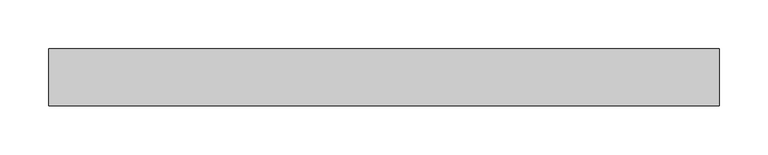
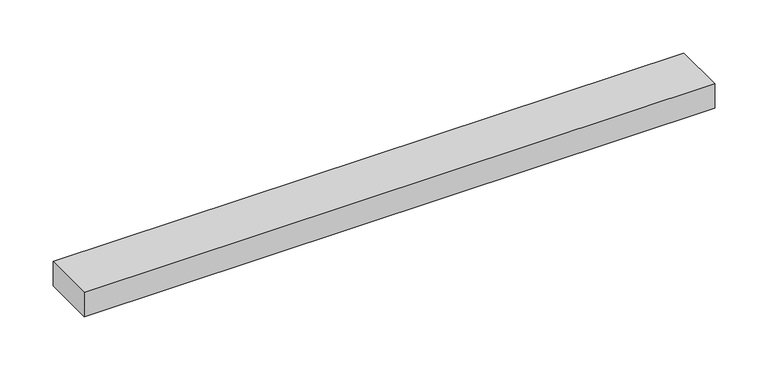
"""IFC4 building model written with IfcOpenShell, lengths in millimetres: proxy geometry."""

from ifc_helpers import new_model, si_unit, frame, origin, place, context, project, spatial, polyline, outline, extrude, source, transform, mapped, element, save


def specialty_equipment_9602a701(model_context):
    return source(origin(), model_context, "Body", "SweptSolid", [
        extrude(outline(polyline([(-342.9, -29.2199219), (-342.9, 29.2199219), (342.9, 29.2199219), (342.9, -29.2199219), (-342.9, -29.2199219)])), frame((0.0, 0.0, -13.9898438), z_axis=(0.0, 0.0, 1.0), x_axis=(1.0, 0.0, 0.0)), (0.0, 0.0, 1.0), 27.9796875),
    ])


if __name__ == "__main__":
    model = new_model("IFC4")
    model_context = context("Model", 3, world=origin())
    ifc_project = project(units=[si_unit("LENGTHUNIT", "METRE", prefix="MILLI")], contexts=[model_context])
    site = spatial("IfcSite", under=ifc_project)
    building = spatial("IfcBuilding", under=site)
    placement = place(None, origin())
    specialty_equipment_shape = specialty_equipment_9602a701(model_context)
    element("IfcBuildingElementProxy", 1, Name="Specialty Equipment", at=placement, inside=building, context=model_context, shape_type="MappedRepresentation", body=[
        mapped(specialty_equipment_shape, transform((0.0, 0.0, 0.0), x_axis=(1.0, 0.0, 0.0), y_axis=(0.0, 1.0, 0.0), z_axis=(0.0, 0.0, 1.0))),
    ])
    save(model, "model.ifc")
